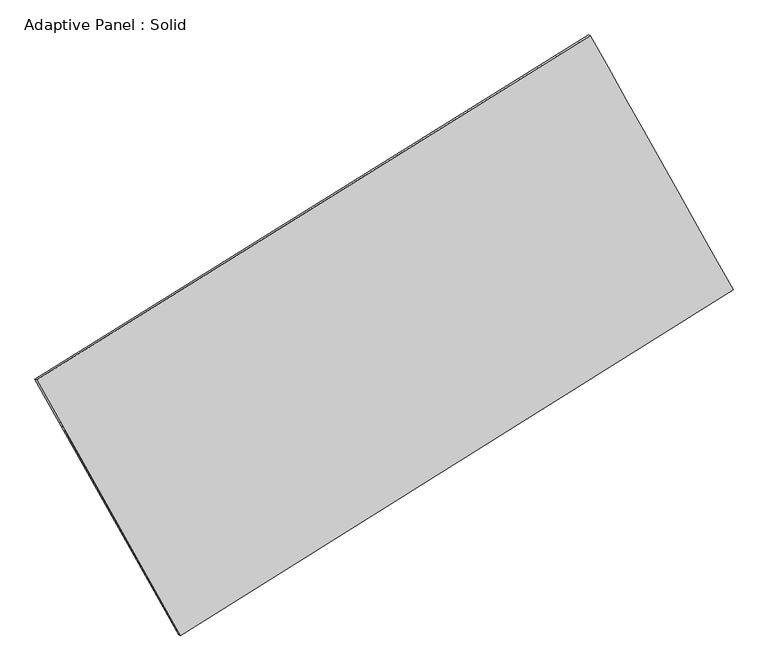
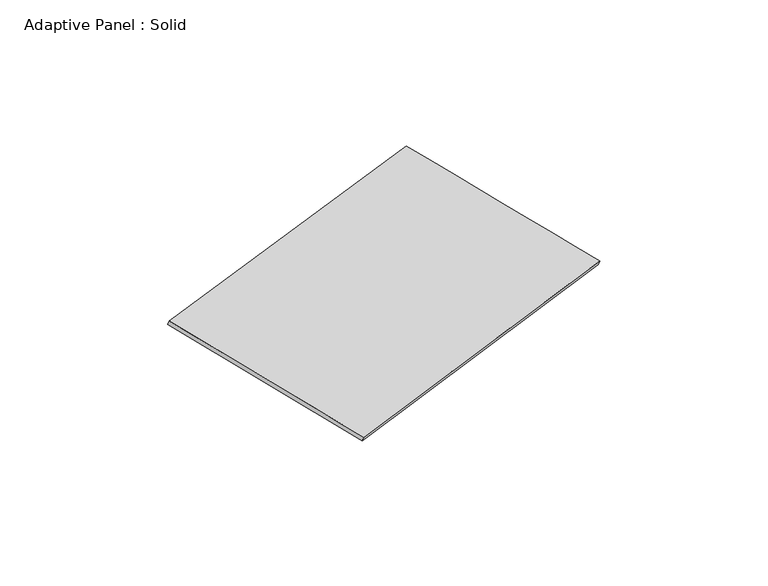
"""IFC4 building model written with IfcOpenShell, lengths in millimetres: plate geometry, Adaptive Panel : Solid."""

from ifc_helpers import new_model, si_unit, frame, origin, place, context, project, spatial, source, transform, mapped, element, save
from ifc_brep_helpers import plane_surface, spline_surface, advanced_brep


def adaptive_panel_solid_08cf5b20(model_context):
    return source(origin(), model_context, "Body", "AdvancedBrep", [
        advanced_brep(
        [(1167.3649873, 2554.9138078, 664.2612937), (-3738.3204758, -496.1001946, 1775.4891912), (-3723.65412, -502.480288, 1822.8620992), (1182.0313431, 2548.5337144, 711.6342017), (-2465.766064, -2761.7700355, 1073.0256839), (-2451.0997082, -2768.1501289, 1120.3985919), (2433.4309744, 302.7078494, -27.6536486), (2448.0973302, 296.3277559, 19.7192595)],
        [
            (0, 1),
            (1, 2),
            (2, 3),
            (3, 0),
            (1, 4),
            (4, 5),
            (5, 2),
            (4, 6),
            (6, 7),
            (7, 5),
            (6, 0),
            (3, 7),
        ],
        [
            plane_surface(frame((-1285.4777443, 1029.4068066, 1219.8752424), z_axis=(-0.4672668108931962, 0.8454727667058713, 0.25852954994820515), x_axis=(-0.8338799255169564, -0.5186185188939396, 0.18888912536218624))),
            plane_surface(frame((-3102.0432699, -1628.935115, 1424.2574376), z_axis=(-0.830750746414581, -0.5244495294009238, 0.18656336307744453), x_axis=(0.47274170097139595, -0.8416745126771367, -0.2609584236470937))),
            plane_surface(frame((-16.1675448, -1229.5310931, 522.6860177), z_axis=(0.4696952837525884, -0.8439580817755326, -0.25907739505085986), x_axis=(0.8328325060863573, 0.5209418557150425, -0.18710852404443218))),
            plane_surface(frame((1800.3979808, 1428.8108286, 318.3038226), z_axis=(0.8308032928973124, 0.5243560144331345, -0.18659222555825075), x_axis=(-0.47334610358707596, 0.8420358226126947, 0.25868733957404183))),
            spline_surface(1, 1, [[(-3723.65412, -502.480288, 1822.8620992), (1182.0313431, 2548.5337144, 711.6342017)], [(-2451.0997082, -2768.1501289, 1120.3985919), (2448.0973302, 296.3277559, 19.7192595)]], [2, 2], [2, 2], [0.0, 1.0], [0.0, 1.0]),
            spline_surface(1, 1, [[(2433.4309744, 302.7078494, -27.6536486), (1167.3649873, 2554.9138078, 664.2612937)], [(-2465.766064, -2761.7700355, 1073.0256839), (-3738.3204758, -496.1001946, 1775.4891912)]], [2, 2], [2, 2], [0.0, 1.0], [0.0, 1.0]),
        ],
        [
            (0, [[1, 2, 3, 4]]),
            (1, [[5, 6, 7, -2]]),
            (2, [[8, 9, 10, -6]]),
            (3, [[11, -4, 12, -9]]),
            (4, [[-3, -7, -10, -12]]),
            (5, [[-11, -8, -5, -1]]),
        ],
    ),
    ])


if __name__ == "__main__":
    model = new_model("IFC4")
    model_context = context("Model", 3, world=origin())
    ifc_project = project(units=[si_unit("LENGTHUNIT", "METRE", prefix="MILLI")], contexts=[model_context])
    site = spatial("IfcSite", under=ifc_project)
    building = spatial("IfcBuilding", under=site)
    placement = place(None, origin())
    adaptive_panel_solid_shape = adaptive_panel_solid_08cf5b20(model_context)
    element("IfcPlate", 1, ObjectType="Adaptive Panel : Solid", at=placement, inside=building, context=model_context, shape_type="MappedRepresentation", body=[
        mapped(adaptive_panel_solid_shape, transform((0.0, 0.0, 0.0), x_axis=(1.0, 0.0, 0.0), y_axis=(0.0, 1.0, 0.0), z_axis=(0.0, 0.0, 1.0))),
    ])
    save(model, "model.ifc")
